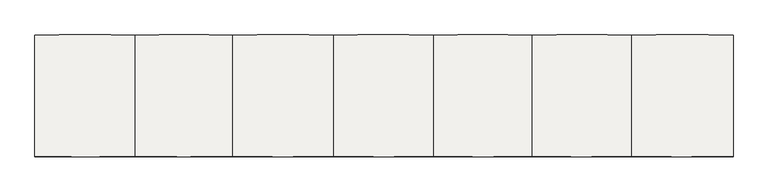
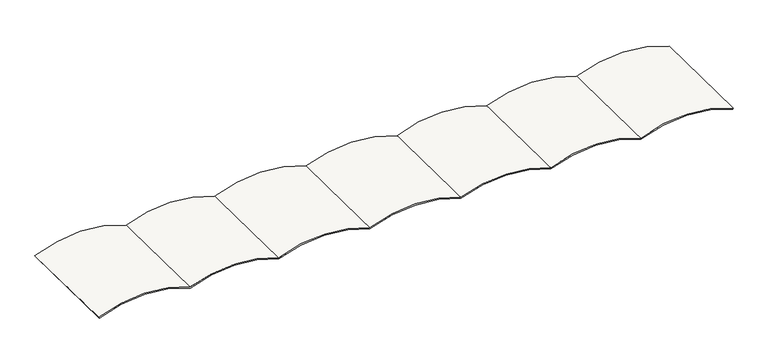
"""IFC4 building model written with IfcOpenShell, lengths in millimetres: roof geometry."""

from ifc_helpers import new_model, si_unit, point, frame, frame_2d, origin, place, context, project, spatial, polyline, circle_curve, trimmed, segment, composite_curve, outline, extrude, source, transform, mapped, element, save


def roof_f77f4f61(model_context):
    return source(origin(), model_context, "Body", "SweptSolid", [
        extrude(outline(composite_curve([segment(trimmed(circle_curve(frame_2d((81.1696199, 5653.980658)), 3158.3037366), [point((2988.7894422, 4420.8426034))], [point((2983.3590137, 6899.8455043))], True, "CARTESIAN"), True, "CONTINUOUS"), segment(polyline([(2983.3590137, 6899.8455043), (3011.112625, 6911.2454288)]), True, "CONTINUOUS"), segment(trimmed(circle_curve(frame_2d((81.1696199, 5653.980658)), 3188.3037366), [point((3011.112625, 6911.2454288))], [point((3021.2175056, 4420.530559))], False, "CARTESIAN"), True, "CONTINUOUS"), segment(trimmed(circle_curve(frame_2d((0.0, 3220.7334899)), 3250.73349), [point((3021.2175056, 4420.530559))], [point((3014.0187116, 2002.9652733))], False, "CARTESIAN"), True, "CONTINUOUS"), segment(trimmed(circle_curve(frame_2d((10.0, 760.73349)), 3250.73349), [point((3014.0187116, 2002.9652733))], [point((3008.7069252, -494.26651))], False, "CARTESIAN"), True, "CONTINUOUS"), segment(trimmed(circle_curve(frame_2d((10.0, -1749.2665101)), 3250.73349), [point((3008.7069252, -494.26651))], [point((3019.047727, -2979.26651))], False, "CARTESIAN"), True, "CONTINUOUS"), segment(trimmed(circle_curve(frame_2d((10.0, -4209.26651)), 3250.73349), [point((3019.047727, -2979.26651))], [point((3023.0718502, -5429.3756234))], False, "CARTESIAN"), True, "CONTINUOUS"), segment(trimmed(circle_curve(frame_2d((10.0, -6649.4847368)), 3250.73349), [point((3023.0718502, -5429.3756234))], [point((3014.9406356, -7889.4847368))], False, "CARTESIAN"), True, "CONTINUOUS"), segment(trimmed(circle_curve(frame_2d((10.0000001, -9129.4847368)), 3250.73349), [point((3014.9406356, -7889.4847368))], [point((2995.6059287, -10415.3406626))], False, "CARTESIAN"), True, "CONTINUOUS"), segment(polyline([(2995.6059287, -10415.3406626), (2969.4448778, -10400.2365729)]), True, "CONTINUOUS"), segment(trimmed(circle_curve(frame_2d((10.0000001, -9129.4847368)), 3220.73349), [point((2969.4448778, -10400.2365729))], [point((2982.4609692, -7889.4847368))], True, "CARTESIAN"), True, "CONTINUOUS"), segment(trimmed(circle_curve(frame_2d((10.0, -6649.4847368)), 3220.73349), [point((2982.4609692, -7889.4847368))], [point((2990.6807889, -5429.3756234))], True, "CARTESIAN"), True, "CONTINUOUS"), segment(trimmed(circle_curve(frame_2d((10.0, -4209.26651)), 3220.73349), [point((2990.6807889, -5429.3756234))], [point((2986.6128761, -2979.26651))], True, "CARTESIAN"), True, "CONTINUOUS"), segment(trimmed(circle_curve(frame_2d((10.0, -1749.2665101)), 3220.73349), [point((2986.6128761, -2979.26651))], [point((2976.159, -494.26651))], True, "CARTESIAN"), True, "CONTINUOUS"), segment(trimmed(circle_curve(frame_2d((10.0, 760.73349)), 3220.73349), [point((2976.159, -494.26651))], [point((2981.5840834, 2002.8334252))], True, "CARTESIAN"), True, "CONTINUOUS"), segment(trimmed(circle_curve(frame_2d((0.0, 3220.7334899)), 3220.73349), [point((2981.5840834, 2002.8334252))], [point((2988.7894422, 4420.8426034))], True, "CARTESIAN"), True, "CONTINUOUS")], self_intersect=False)), frame((62877.8843769, 99879.8328888, -3202.9690703), z_axis=(2.1414864160849727e-06, -0.999876201622792, 0.015734720327734226), x_axis=(0.0002721819994950418, 0.015734720327734226, 0.9998761645789779)), (0.0, 0.0, 1.0), 3023.5014616),
    ])


if __name__ == "__main__":
    model = new_model("IFC4")
    model_context = context("Model", 3, world=origin())
    ifc_project = project(units=[si_unit("LENGTHUNIT", "METRE", prefix="MILLI")], contexts=[model_context])
    site = spatial("IfcSite", under=ifc_project)
    building = spatial("IfcBuilding", under=site)
    placement = place(None, origin())
    roof_shape = roof_f77f4f61(model_context)
    element("IfcRoof", 1, at=placement, inside=building, context=model_context, shape_type="MappedRepresentation", body=[
        mapped(roof_shape, transform((0.0, 0.0, 0.0), x_axis=(1.0, 0.0, 0.0), y_axis=(0.0, 1.0, 0.0), z_axis=(0.0, 0.0, 1.0))),
    ])
    save(model, "model.ifc")
